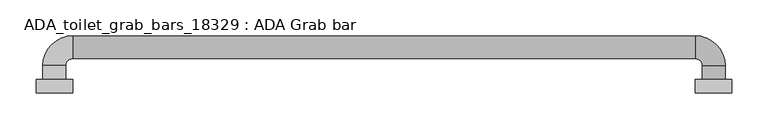
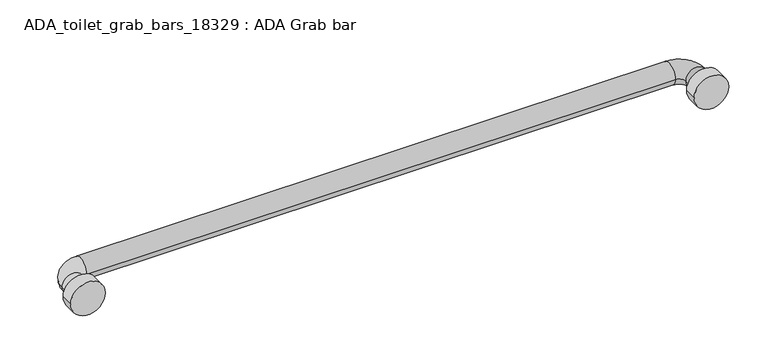
"""IFC4 building model written with IfcOpenShell, lengths in millimetres: proxy geometry, ADA_toilet_grab_bars_18329 : ADA Grab bar."""

from ifc_helpers import new_model, si_unit, point, frame, frame_2d, origin, place, context, project, spatial, circle_curve, ellipse_curve, trimmed, segment, composite_curve, outline, extrude, source, transform, mapped, element, save
from ifc_brep_helpers import plane_surface, cylinder_surface, revolved_surface, advanced_brep


def ada_toilet_grab_bars_18329_ada_grab_bar_6b487394(model_context):
    return source(origin(), model_context, "Body", "SolidModel", [
        extrude(outline(composite_curve([segment(trimmed(circle_curve(frame_2d((863.6, -152.4)), 25.4), [point((863.6, -177.8))], [point((863.6, -127.0))], False, "CARTESIAN"), True, "CONTINUOUS"), segment(trimmed(circle_curve(frame_2d((863.6, -152.4)), 25.4), [point((863.6, -127.0))], [point((863.6, -177.8))], False, "CARTESIAN"), True, "CONTINUOUS")], self_intersect=False)), frame((0.0, 0.0, 0.0), z_axis=(0.0, 1.0, 0.0), x_axis=(0.0, 0.0, 1.0)), (0.0, 0.0, 1.0), 19.05),
        extrude(outline(composite_curve([segment(trimmed(circle_curve(frame_2d((863.6, -1066.8)), 25.4), [point((863.6, -1092.2))], [point((863.6, -1041.4))], False, "CARTESIAN"), True, "CONTINUOUS"), segment(trimmed(circle_curve(frame_2d((863.6, -1066.8)), 25.4), [point((863.6, -1041.4))], [point((863.6, -1092.2))], False, "CARTESIAN"), True, "CONTINUOUS")], self_intersect=False)), frame((0.0, 0.0, 0.0), z_axis=(0.0, 1.0, 0.0), x_axis=(0.0, 0.0, 1.0)), (0.0, 0.0, 1.0), 19.05),
        advanced_brep(
        [(-1050.925, 19.05, 863.6), (-1082.675, 19.05, 863.6), (-1050.925, 38.1, 863.6), (-1082.675, 38.1, 863.6), (-1041.4, 79.375, 863.6), (-1041.4, 47.625, 863.6), (-177.8, 47.625, 863.6), (-177.8, 79.375, 863.6), (-136.525, 38.1, 863.6), (-168.275, 38.1, 863.6), (-168.275, 19.05, 863.6), (-136.525, 19.05, 863.6)],
        [
            (0, 1, circle_curve(frame((-1066.8, 19.05, 863.6), z_axis=(0.0, -1.0, 0.0), x_axis=(-1.0, 0.0, 0.0)), 15.875)),
            (1, 0, circle_curve(frame((-1066.8, 19.05, 863.6), z_axis=(0.0, -1.0, 0.0), x_axis=(-1.0, 0.0, 0.0)), 15.875)),
            (0, 2),
            (2, 3, circle_curve(frame((-1066.8, 38.1, 863.6), z_axis=(0.0, -1.0, 0.0), x_axis=(-1.0, 0.0, 0.0)), 15.875)),
            (3, 1),
            (3, 2, circle_curve(frame((-1066.8, 38.1, 863.6), z_axis=(0.0, -1.0, 0.0), x_axis=(-1.0, 0.0, 0.0)), 15.875)),
            (4, 3, circle_curve(frame((-1041.4, 38.1, 863.6), z_axis=(0.0, 0.0, 1.0), x_axis=(-1.0, 0.0, 0.0)), 41.275)),
            (2, 5, circle_curve(frame((-1041.4, 38.1, 863.6), z_axis=(0.0, 0.0, -1.0), x_axis=(-1.0, 0.0, 0.0)), 9.525)),
            (5, 4, circle_curve(frame((-1041.4, 63.5, 863.6), z_axis=(-1.0, 0.0, 0.0), x_axis=(0.0, 1.0, 0.0)), 15.875)),
            (4, 5, circle_curve(frame((-1041.4, 63.5, 863.6), z_axis=(-1.0, 0.0, 0.0), x_axis=(0.0, 1.0, 0.0)), 15.875)),
            (5, 6),
            (6, 7, circle_curve(frame((-177.8, 63.5, 863.6), z_axis=(-1.0, 0.0, 0.0), x_axis=(0.0, 1.0, 0.0)), 15.875)),
            (7, 4),
            (7, 6, circle_curve(frame((-177.8, 63.5, 863.6), z_axis=(-1.0, 0.0, 0.0), x_axis=(0.0, 1.0, 0.0)), 15.875)),
            (8, 7, circle_curve(frame((-177.8, 38.1, 863.6), z_axis=(0.0, 0.0, 1.0), x_axis=(0.0, 1.0, 0.0)), 41.275)),
            (6, 9, circle_curve(frame((-177.8, 38.1, 863.6), z_axis=(0.0, 0.0, -1.0), x_axis=(0.0, 1.0, 0.0)), 9.525)),
            (9, 8, circle_curve(frame((-152.4, 38.1, 863.6), z_axis=(0.0, 1.0, 0.0), x_axis=(1.0, 0.0, 0.0)), 15.875)),
            (8, 9, circle_curve(frame((-152.4, 38.1, 863.6), z_axis=(0.0, 1.0, 0.0), x_axis=(1.0, 0.0, 0.0)), 15.875)),
            (10, 11, circle_curve(frame((-152.4, 19.05, 863.6), z_axis=(0.0, -1.0, 0.0), x_axis=(1.0, 0.0, 0.0)), 15.875)),
            (11, 10, circle_curve(frame((-152.4, 19.05, 863.6), z_axis=(0.0, -1.0, 0.0), x_axis=(1.0, 0.0, 0.0)), 15.875)),
            (9, 10),
            (11, 8),
        ],
        [
            plane_surface(frame((-1946.275, 19.05, 0.0), z_axis=(0.0, -1.0, 0.0), x_axis=(0.0, 0.0, 1.0))),
            cylinder_surface(frame((-1066.8, 19.05, 863.6), z_axis=(0.0, -1.0, 0.0), x_axis=(-1.0, 0.0, 0.0)), 15.875),
            revolved_surface(trimmed(ellipse_curve(frame((-1066.8, 38.1, 863.6), z_axis=(0.0, -1.0, 0.0), x_axis=(-1.0, 0.0, 0.0)), 15.875, 15.875), [point((-1050.925, 38.1, 863.6))], [point((-1082.675, 38.1, 863.6))], True, "CARTESIAN"), (-1041.4, 38.1, 0.0), (0.0, 0.0, -1.0)),
            revolved_surface(trimmed(ellipse_curve(frame((-1066.8, 38.1, 863.6), z_axis=(0.0, -1.0, 0.0), x_axis=(-1.0, 0.0, 0.0)), 15.875, 15.875), [point((-1082.675, 38.1, 863.6))], [point((-1050.925, 38.1, 863.6))], True, "CARTESIAN"), (-1041.4, 38.1, 0.0), (0.0, 0.0, -1.0)),
            cylinder_surface(frame((-1041.4, 63.5, 863.6), z_axis=(-1.0, 0.0, 0.0), x_axis=(0.0, 1.0, 0.0)), 15.875),
            revolved_surface(trimmed(ellipse_curve(frame((-177.8, 63.5, 863.6), z_axis=(-1.0, 0.0, 0.0), x_axis=(0.0, 1.0, 0.0)), 15.875, 15.875), [point((-177.8, 47.625, 863.6))], [point((-177.8, 79.375, 863.6))], True, "CARTESIAN"), (-177.8, 38.1, 0.0), (0.0, 0.0, -1.0)),
            revolved_surface(trimmed(ellipse_curve(frame((-177.8, 63.5, 863.6), z_axis=(-1.0, 0.0, 0.0), x_axis=(0.0, 1.0, 0.0)), 15.875, 15.875), [point((-177.8, 79.375, 863.6))], [point((-177.8, 47.625, 863.6))], True, "CARTESIAN"), (-177.8, 38.1, 0.0), (0.0, 0.0, -1.0)),
            plane_surface(frame((-1031.875, 19.05, 0.0), z_axis=(0.0, -1.0, 0.0), x_axis=(0.0, 0.0, -1.0))),
            cylinder_surface(frame((-152.4, 38.1, 863.6), z_axis=(0.0, 1.0, 0.0), x_axis=(1.0, 0.0, 0.0)), 15.875),
        ],
        [
            (0, [[1, 2]]),
            (1, [[-1, 3, 4, 5]]),
            (1, [[-2, -5, 6, -3]]),
            (2, [[7, -4, 8, 9]]),
            (3, [[-8, -6, -7, 10]]),
            (4, [[-9, 11, 12, 13]]),
            (4, [[-10, -13, 14, -11]]),
            (5, [[15, -12, 16, 17]]),
            (6, [[-16, -14, -15, 18]]),
            (7, [[19, 20]]),
            (8, [[-17, 21, -20, 22]]),
            (8, [[-18, -22, -19, -21]]),
        ],
    ),
    ])


if __name__ == "__main__":
    model = new_model("IFC4")
    model_context = context("Model", 3, world=origin())
    ifc_project = project(units=[si_unit("LENGTHUNIT", "METRE", prefix="MILLI")], contexts=[model_context])
    site = spatial("IfcSite", under=ifc_project)
    building = spatial("IfcBuilding", under=site)
    placement = place(None, origin())
    ada_toilet_grab_bars_18329_ada_grab_bar_shape = ada_toilet_grab_bars_18329_ada_grab_bar_6b487394(model_context)
    element("IfcBuildingElementProxy", 1, Name="ADA_toilet_grab_bars_18329 : ADA Grab bar", ObjectType="ADA_toilet_grab_bars_18329 : ADA Grab bar", at=placement, inside=building, context=model_context, shape_type="MappedRepresentation", body=[
        mapped(ada_toilet_grab_bars_18329_ada_grab_bar_shape, transform((0.0, 0.0, 0.0), x_axis=(1.0, 0.0, 0.0), y_axis=(0.0, 1.0, 0.0), z_axis=(0.0, 0.0, 1.0))),
    ])
    save(model, "model.ifc")
